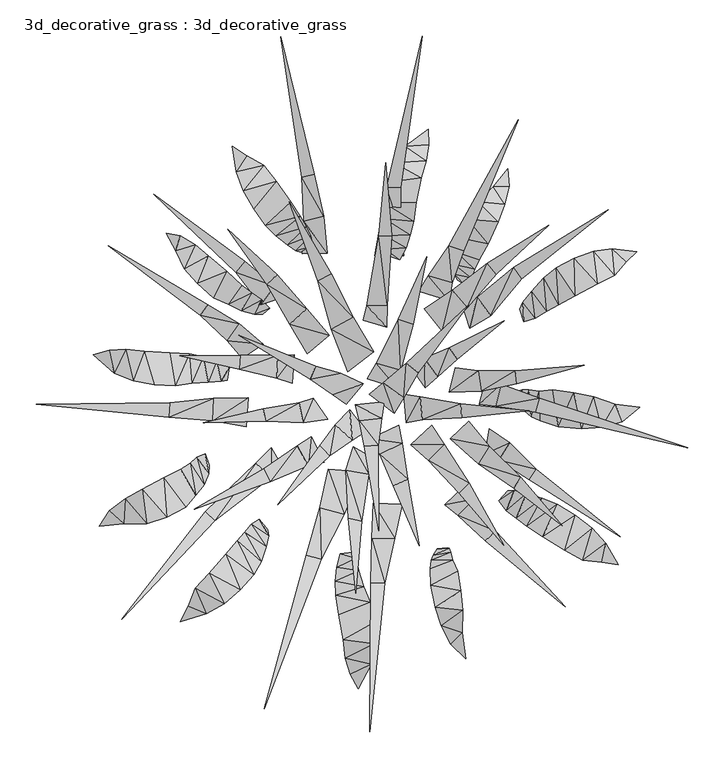
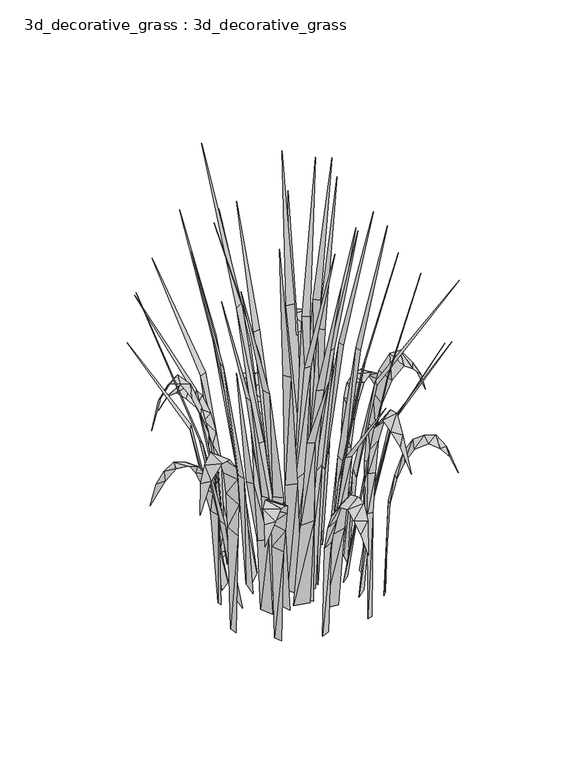
"""IFC4 building model written with IfcOpenShell, lengths in millimetres: geographic element geometry, 3d_decorative_grass : 3d_decorative_grass."""

from ifc_helpers import new_model, si_unit, origin, place, context, project, spatial, triangles, source, transform, mapped, element, save


def geographic_element_3d_decorative_grass_3d_decorative_grass_8f330360(model_context):
    return source(origin(), model_context, "Body", "Tessellation", [
        triangles([(-171.8724073, 311.9562073, 391.3716006), (-166.0988751, 276.5533168, 453.5561709), (-151.7953394, 298.5664655, 439.742685), (-128.3188643, 285.5556824, 466.8916735), (-156.4602484, 250.4763525, 477.3593241), (-111.1387237, 263.2205777, 477.6461188), (-142.1708282, 225.3435969, 469.7117344), (-90.6809344, 235.1924178, 455.7070599), (-126.3458462, 202.5815594, 451.5964704), (-77.4480071, 215.0340325, 409.582447), (-111.6874797, 188.186137, 413.9798313), (-69.56373, 200.5892686, 356.8378859), (-95.3949246, 175.5918263, 345.0797066), (-63.2815734, 187.6873845, 278.4260653), (-83.754574, 166.9488888, 269.4640394), (-60.5010189, 173.2261597, -8.0649992), (-76.9097076, 164.9533591, -7.7065177), (20.5632116, -405.1809675, 421.0538553), (-8.3180727, -419.4057225, 395.7689611), (2.4823459, -439.2812999, 341.9967585), (-14.9697333, -397.054651, 427.2197277), (25.064219, -377.1169421, 456.3523242), (-18.069774, -371.4353091, 447.0079213), (24.4312895, -347.78853, 458.4076072), (-23.9664912, -336.6901665, 435.3453244), (19.064059, -319.2157921, 448.6091284), (-28.7148531, -310.1785118, 395.7689611), (10.4994909, -298.0192405, 415.1030789), (-29.0546377, -290.3606997, 347.1349895), (3.7303885, -275.6028832, 348.3538433), (-27.389932, -270.9183567, 271.6149166), (-1.0635001, -258.3330227, 273.19224), (-22.5390298, -252.2350331, -10.5982654), (-4.5835711, -250.5305256, -5.1732516), (-334.8987534, -2.1205367, 421.1494614), (-342.3824295, 29.1720818, 395.8645673), (-364.1653195, 23.073162, 342.0923647), (-319.0876972, 30.7084074, 427.2197277), (-308.5660877, -12.7486505, 456.4479304), (-293.410695, 28.0594183, 447.1035037), (-279.799096, -18.688931, 458.5032133), (-258.2499606, 26.0219975, 435.3453244), (-250.8012181, -19.8203742, 448.7047108), (-231.3361475, 24.7838834, 395.7689611), (-228.1990878, -16.155095, 415.1030789), (-211.9286659, 20.6834434, 347.1349895), (-204.8547601, -14.5848243, 348.4255419), (-193.3358459, 14.7148237, 271.6149166), (-186.9266206, -13.7181356, 273.19224), (-176.2158895, 5.845016, -10.5982654), (-178.5913831, -12.0269042, -5.1732516), (354.7297035, 170.0436557, 401.0984044), (373.4842872, 151.8442448, 391.180412), (388.1662981, 165.5519707, 335.830886), (358.0370031, 133.4169836, 427.3153339), (328.6504361, 166.7380108, 429.9442062), (334.0398779, 121.3246576, 445.9085574), (301.9197568, 156.5518156, 429.8486001), (303.1975937, 104.7656596, 434.5088478), (276.9218192, 143.8473005, 420.1217962), (280.3195646, 92.1286847, 396.4142492), (259.6762928, 129.549981, 390.248353), (263.6284518, 83.2712118, 349.5487658), (243.0617036, 111.1793037, 330.692655), (247.9813983, 73.8723412, 277.111641), (230.795395, 96.1761232, 262.4617022), (231.8207559, 69.1732318, -5.1732516), (226.3209066, 86.2511407, -10.3114826), (-243.9496141, -346.6917698, 398.1110387), (-207.6581961, -335.7139363, 456.0655295), (-232.7015071, -325.4138401, 448.1311451), (-223.280911, -300.3354256, 477.3593241), (-182.7472451, -321.6855203, 477.6461188), (-203.9504946, -279.1775788, 487.5402037), (-160.8006976, -302.3685793, 468.3016921), (-180.8645098, -252.8553444, 464.3823148), (-141.9197425, -281.7641081, 449.0632042), (-165.1118291, -234.5285136, 416.9671732), (-131.8110691, -263.3957249, 411.3509589), (-154.2387882, -222.4630578, 362.8125935), (-124.9736369, -242.9340968, 342.6420228), (-145.5780989, -211.5932698, 282.7995421), (-121.3958411, -227.6431943, 266.9307614), (-134.0818149, -204.3345387, -6.1052987), (-122.7341255, -219.0391054, -9.8574068), (339.8645978, -263.9135201, 418.9268737), (362.5775496, -267.9632086, 365.4175583), (345.114952, -237.6756768, 433.8635835), (313.5110152, -261.2998934, 451.0229047), (326.4931194, -217.2101545, 462.5181967), (288.8299069, -247.2205242, 466.7243924), (302.8670975, -199.1139529, 459.3396662), (257.8653353, -228.6680727, 450.1864518), (278.4487355, -183.6897891, 445.5261803), (235.9807276, -214.3129422, 407.0730883), (257.7806703, -175.4736755, 410.7056946), (221.2269801, -203.1956025, 356.001433), (235.2742128, -169.2257418, 343.8608766), (207.7228102, -192.5609281, 278.2348767), (218.5536079, -164.7425314, 268.9860562), (197.4356193, -179.2329416, -7.4197349), (209.6563636, -164.9344606, -8.1605935), (68.0994915, 311.9529382, 407.6227465), (100.1609239, 314.1379021, 389.3163177), (99.7048011, 335.1230263, 334.9944332), (96.9058725, 292.0325367, 421.2450438), (52.6379592, 288.7194731, 440.8659326), (89.8047192, 268.086564, 441.0332136), (42.6043398, 261.9836762, 442.9212155), (83.1200737, 234.4232176, 431.0435463), (37.64459, 234.1244419, 434.604454), (79.5015968, 208.1281972, 393.8092843), (39.0744868, 211.3575402, 403.9901402), (74.6213435, 189.2882636, 346.7526124), (39.7907019, 187.6653051, 340.8735346), (69.1518146, 171.1098524, 273.2878343), (40.9230467, 169.1362409, 269.1772447), (60.4377974, 155.0521609, -7.969405), (43.4698247, 160.0031659, -6.6788644), (-249.8277362, 166.9379317, 543.1765006), (-243.563903, 187.9717333, 522.9103713), (-262.9229577, 191.176969, 433.7680011), (-223.2768653, 175.4720065, 570.9946847), (-238.1900963, 142.3019555, 598.1675332), (-204.7563137, 160.0612772, 603.9510523), (-220.3806033, 121.9994364, 604.6919228), (-179.4319994, 138.6859421, 579.765522), (-197.808092, 102.3175211, 566.3344132), (-158.9658569, 119.7012108, 512.5622106), (-177.6579757, 93.1826421, 513.3986635), (-145.1119211, 108.9145517, 437.4962135), (-159.0921251, 84.3013262, 418.5444966), (-130.9032834, 99.6175779, 317.5244335), (-141.4162245, 79.5526924, 303.1612775), (-119.5260178, 87.7819889, -6.200893), (-129.3641136, 78.9914955, -8.9253477), (368.2090918, -69.4985681, 544.2997482), (392.7094027, -49.8171196, 477.1681355), (358.4454765, -45.4730247, 567.6249419), (339.949274, -77.2910464, 575.7505386), (329.0703339, -35.1070428, 611.2401961), (312.3365058, -79.5529621, 595.180215), (300.7732263, -29.773503, 608.4201115), (279.297512, -76.573016, 561.1961822), (272.1480082, -25.0376784, 563.4426774), (254.9768589, -68.4723101, 492.104869), (253.3509972, -27.6003159, 506.2051259), (241.9151525, -62.5132603, 419.2853433), (239.0730271, -25.5955129, 413.0477722), (232.7543417, -54.5941958, 306.6983014), (229.6387166, -25.3085849, 302.0380418), (222.8766212, -43.5798482, -10.2158883), (225.5772546, -26.9143325, -6.0097045), (146.5476102, -362.1057144, 613.1042667), (130.573955, -377.5165936, 591.1652316), (151.378283, -397.580507, 513.0162864), (117.6397065, -352.1298329, 627.3718284), (147.3055015, -331.006238, 659.8741677), (109.117496, -326.3808851, 649.1196987), (144.3154293, -303.4731729, 655.5723896), (102.9806728, -295.859309, 610.2125309), (140.4962066, -276.9626848, 604.0466347), (102.7122178, -273.1803051, 531.2271328), (133.5742142, -261.6499905, 540.0935525), (103.640871, -261.704901, 448.5135223), (131.0251675, -250.4524417, 435.3453244), (106.8244994, -254.4017976, 321.085353), (128.3908491, -244.7286104, 310.9044852), (112.2954437, -245.214639, -8.9970464), (125.7057145, -243.7176901, -7.0373459), (-321.8649957, -211.0533838, 544.1085834), (-342.2462231, -192.711322, 531.9680033), (-356.1159946, -214.2546268, 453.3649823), (-320.2092489, -176.026483, 570.5166777), (-290.0903921, -210.6301592, 585.4534112), (-296.4856141, -163.2021179, 594.4154608), (-262.7168285, -201.7423031, 584.0673001), (-266.6350664, -146.9760465, 564.5419938), (-236.2424579, -187.9635872, 542.053253), (-242.8975313, -135.6347507, 496.7651167), (-222.0926993, -171.2708409, 490.2407746), (-230.2093048, -127.3781952, 424.8059515), (-210.59491, -156.9665832, 400.7160036), (-220.8834169, -118.6106091, 312.577391), (-204.529183, -141.7203448, 293.9124688), (-209.0721892, -114.1125129, -5.9380058), (-203.5633932, -130.0466104, -10.5982654), (189.5425367, 255.7990335, 581.6295926), (212.0687401, 256.8093419, 561.1005998), (209.5118445, 280.5978466, 474.6587768), (205.8376035, 231.2198926, 604.9787175), (168.8757876, 234.7185999, 633.4421422), (196.2152714, 207.141077, 633.4421422), (154.2357953, 211.0826874, 634.9477669), (182.7840114, 177.15146, 601.8957694), (141.6971848, 184.93504, 589.6596069), (170.33293, 154.5859615, 527.7618076), (138.7915393, 164.9255109, 530.7491733), (163.8963105, 141.2246922, 447.581487), (135.6556753, 148.4171726, 429.5618054), (159.127763, 129.9607667, 321.7306173), (136.3768243, 134.9036894, 307.9171314), (151.0189724, 119.7872727, -7.2285464), (139.4786785, 126.8877564, -8.4473764)], [[1, 2, 3], [2, 4, 3], [2, 5, 4], [5, 6, 4], [5, 7, 6], [7, 8, 6], [7, 9, 8], [9, 10, 8], [9, 11, 10], [11, 12, 10], [13, 12, 11], [13, 14, 12], [15, 14, 13], [15, 16, 14], [15, 17, 16], [18, 19, 20], [21, 19, 18], [21, 18, 22], [23, 21, 22], [23, 22, 24], [25, 23, 24], [25, 24, 26], [27, 25, 26], [27, 26, 28], [29, 27, 28], [28, 30, 29], [30, 31, 29], [30, 32, 31], [32, 33, 31], [32, 34, 33], [35, 36, 37], [36, 35, 38], [35, 39, 38], [38, 39, 40], [39, 41, 40], [40, 41, 42], [41, 43, 42], [42, 43, 44], [43, 45, 44], [45, 46, 44], [45, 47, 46], [47, 48, 46], [47, 49, 48], [49, 50, 48], [49, 51, 50], [52, 53, 54], [52, 55, 53], [56, 55, 52], [56, 57, 55], [58, 57, 56], [58, 59, 57], [60, 59, 58], [60, 61, 59], [62, 61, 60], [62, 63, 61], [64, 63, 62], [65, 63, 64], [65, 64, 66], [67, 65, 66], [67, 66, 68], [69, 70, 71], [71, 70, 72], [72, 70, 73], [72, 73, 74], [74, 73, 75], [74, 75, 76], [76, 75, 77], [76, 77, 78], [78, 77, 79], [78, 79, 80], [79, 81, 80], [80, 81, 82], [81, 83, 82], [82, 83, 84], [83, 85, 84], [86, 87, 88], [89, 86, 88], [89, 88, 90], [91, 89, 90], [91, 90, 92], [93, 91, 92], [93, 92, 94], [95, 93, 94], [95, 94, 96], [95, 96, 97], [97, 96, 98], [97, 98, 99], [99, 98, 100], [99, 100, 101], [101, 100, 102], [103, 104, 105], [103, 106, 104], [107, 106, 103], [107, 108, 106], [109, 108, 107], [109, 110, 108], [109, 111, 110], [111, 112, 110], [111, 113, 112], [113, 114, 112], [113, 115, 114], [114, 115, 116], [115, 117, 116], [116, 117, 118], [117, 119, 118], [120, 121, 122], [120, 123, 121], [120, 124, 123], [124, 125, 123], [124, 126, 125], [126, 127, 125], [126, 128, 127], [128, 129, 127], [128, 130, 129], [130, 131, 129], [132, 131, 130], [132, 133, 131], [134, 133, 132], [134, 135, 133], [134, 136, 135], [137, 138, 139], [140, 137, 139], [141, 140, 139], [142, 140, 141], [143, 142, 141], [144, 142, 143], [145, 144, 143], [144, 145, 146], [146, 145, 147], [146, 147, 148], [148, 147, 149], [148, 149, 150], [150, 149, 151], [150, 151, 152], [152, 151, 153], [154, 155, 156], [157, 155, 154], [157, 154, 158], [159, 157, 158], [159, 158, 160], [161, 159, 160], [161, 160, 162], [161, 162, 163], [162, 164, 163], [164, 165, 163], [164, 166, 165], [165, 166, 167], [166, 168, 167], [167, 168, 169], [168, 170, 169], [171, 172, 173], [172, 171, 174], [174, 171, 175], [174, 175, 176], [176, 175, 177], [176, 177, 178], [178, 177, 179], [178, 179, 180], [180, 179, 181], [181, 182, 180], [181, 183, 182], [183, 184, 182], [183, 185, 184], [185, 186, 184], [185, 187, 186], [188, 189, 190], [188, 191, 189], [192, 191, 188], [192, 193, 191], [194, 193, 192], [194, 195, 193], [196, 195, 194], [195, 196, 197], [196, 198, 197], [198, 199, 197], [198, 200, 199], [199, 200, 201], [200, 202, 201], [201, 202, 203], [202, 204, 203]], closed=False),
        triangles([(51.2150766, -158.0518165, 779.2640916), (86.9775362, -241.1533984, 1185.9815334), (71.1115559, -149.1424701, 776.7637791), (145.7518068, -64.2542717, 708.4218895), (239.6180735, -54.6367174, 1078.4680959), (144.66457, -44.9141772, 705.921577), (78.6565036, 65.1634247, 779.2640916), (97.4695522, 158.5895528, 1185.9815334), (58.2754805, 71.9140508, 776.7637791), (-50.6418276, -103.212574, 708.4218895), (-108.7919429, -184.4294786, 1163.4787209), (-36.5564903, -116.6104788, 705.921577), (-56.4217276, 7.2295195, 708.4218895), (-162.8676831, 50.2927519, 1120.9734084), (-63.7907999, -11.0686949, 705.921577), (-34.3885194, 135.6084548, 779.2640916), (-92.5124148, 235.2247537, 1228.4868459), (-53.4942186, 125.8925752, 776.7637791), (140.0015102, 16.794105, 708.4218895), (204.9072737, 70.3081738, 1120.9734084), (128.6568107, 32.7209307, 705.921577), (142.488458, -168.3770496, 708.4218895), (204.074785, -240.8705274, 1078.4680959), (156.6771428, -155.0982456, 705.921577), (-11.3725314, -203.2819102, 708.4218895), (-0.5732211, -306.9043912, 1078.4680959), (7.7558461, -207.4642323, 705.921577), (-128.5705376, -51.8042567, 637.5796875), (-211.671168, -71.2725445, 970.9546584), (-125.7057769, -69.0851723, 635.079375), (85.9814353, -2.0025034, 779.2640916), (154.9532747, 91.2484362, 1185.9815334), (69.1790898, 11.2624505, 776.7637791), (11.1757756, -103.6624924, 708.4218895), (31.2684831, -220.6356184, 1120.9734084), (30.6803274, -102.0976369, 705.921577), (-109.3292974, 133.6318481, 708.4218895), (-178.3546346, 196.9333731, 1078.4680959), (-124.1521816, 120.8385394, 705.921577), (49.0350521, 187.8216669, 637.5796875), (40.608082, 289.024548, 970.9546584), (30.9869862, 188.1594097, 635.079375), (222.417827, -16.9265675, 637.5796875), (315.478512, 8.1943785, 970.9546584), (220.1951424, 0.6675095, 635.079375), (217.7975338, -161.4519221, 637.5796875), (285.0147921, -213.7130809, 970.9546584), (227.6876503, -146.6930023, 635.079375), (-160.7473944, 22.3161379, 708.4218895), (-244.7786809, 21.8669066, 1078.4680959), (-162.3771658, 2.8430925, 705.921577), (193.8785901, 134.4754389, 708.4218895), (266.7561188, 202.6076001, 1078.4680959), (181.5707767, 149.9325225, 705.921577), (-128.1134297, -135.0368865, 708.4218895), (-224.3548912, -191.1173563, 1078.4680959), (-119.1804535, -152.5373957, 705.921577), (148.8003531, 167.2497346, 597.9616552), (224.0880574, 348.267517, 902.9997366), (128.135999, 174.1945607, 596.0864208), (-154.7086461, 152.6531442, 544.8300145), (-280.4993569, 245.14162, 822.3646584), (-167.0248866, 137.7021877, 542.9547802), (-69.4469115, -254.1947976, 597.9616552), (-127.5161203, -467.1257578, 934.8787209), (-48.8167755, -260.010601, 596.0864208), (61.8688415, 255.2682969, 544.8300145), (91.0119452, 464.2549974, 822.3646584), (42.436228, 255.1311766, 542.9547802), (229.2133073, 128.407333, 544.8300145), (348.8336962, 223.5483284, 822.3646584), (217.9914355, 144.4527769, 542.9547802), (239.5854964, -150.1888468, 491.6983739), (365.4410701, -229.0629318, 741.7295803), (249.1989593, -135.5458191, 489.8231395), (19.8986143, -292.3264291, 544.8300145), (18.4561657, -499.0000299, 822.3646584), (39.4681014, -292.9761864, 542.9547802), (-208.8841941, -194.0844847, 491.6983739), (-324.8932018, -342.8981062, 956.2647993), (-195.8491244, -206.5718196, 489.8231395), (-205.6654706, 92.274195, 491.6983739), (-343.3228587, 174.2113274, 741.7295803), (-215.9631753, 77.8364291, 489.8231395), (-58.1893247, 273.0848665, 491.6983739), (-104.5456054, 463.3773244, 741.7295803), (-75.4665045, 268.9449313, 489.8231395), (178.4179467, -234.3295033, 544.8300145), (289.2930572, -325.8368953, 822.3646584), (192.8211601, -221.1233283, 542.9547802), (-258.3535259, -43.5039346, 544.8300145), (-443.3849658, -45.6533052, 1063.2090564), (-259.7901704, -63.2102758, 542.9547802), (248.8063735, -56.2686626, 544.8300145), (458.6934433, -105.4953505, 822.3646584), (254.1090222, -37.3491554, 542.9547802)], [[1, 2, 3], [4, 5, 6], [7, 8, 9], [10, 11, 12], [13, 14, 15], [16, 17, 18], [19, 20, 21], [22, 23, 24], [25, 26, 27], [28, 29, 30], [31, 32, 33], [34, 35, 36], [37, 38, 39], [40, 41, 42], [43, 44, 45], [46, 47, 48], [49, 50, 51], [52, 53, 54], [55, 56, 57], [58, 59, 60], [61, 62, 63], [64, 65, 66], [67, 68, 69], [70, 71, 72], [73, 74, 75], [76, 77, 78], [79, 80, 81], [82, 83, 84], [85, 86, 87], [88, 89, 90], [91, 92, 93], [94, 95, 96]], closed=False),
        triangles([(19.2647384, -93.3587215, 5.8340627), (32.472653, -114.7353165, 381.7143605), (63.7777961, -99.0693705, 391.7156105), (58.9089929, -74.4203341, 0.0), (51.2150766, -158.0518165, 779.2640916), (71.1115559, -149.1424701, 776.7637791), (68.8454176, -71.163646, 5.000625), (91.4116453, -66.9132889, 346.7100073), (88.6886637, -35.2565528, 355.8778052), (66.0446214, -31.199305, 0.0), (145.7518068, -64.2542717, 708.4218895), (144.66457, -44.9141772, 705.921577), (56.6960879, -23.4392568, 5.8340627), (61.5756223, 1.592879, 381.7143605), (27.8055226, 11.3509962, 391.7156105), (14.8143471, -10.0867087, 0.0), (78.6565036, 65.1634247, 779.2640916), (58.2754805, 71.9140508, 776.7637791), (-9.0930719, -53.142329, 5.000625), (-29.1077004, -74.0315257, 346.7100073), (-5.5172488, -95.5105166, 355.8778052), (13.7765375, -82.9210482, 0.0), (-50.6418276, -103.212574, 708.4218895), (-36.5564903, -116.6104788, 705.921577), (9.7949367, -16.9063212, 5.000625), (-21.5319332, -2.3798937, 346.7100073), (-32.6914001, -32.4619947, 355.8778052), (-13.9707033, -45.5861211, 0.0), (-56.4217276, 7.2295195, 708.4218895), (-63.7907999, -11.0686949, 705.921577), (23.8131907, 27.6845511, 5.8340627), (-3.9961115, 74.9243965, 381.7143605), (-34.8315126, 58.2953365, 391.7156105), (-12.0888804, -0.5560616, 0.0), (-34.3885194, 135.6084548, 779.2640916), (-53.4942186, 125.8925752, 776.7637791), (95.6815617, -22.705516, 5.000625), (112.7674651, -7.218829, 346.7100073), (93.851756, 18.5272238, 355.8778052), (72.5224207, 10.1112493, 0.0), (140.0015102, 16.794105, 708.4218895), (128.6568107, 32.7209307, 705.921577), (75.256398, -101.4190324, 5.000625), (99.4889255, -122.584862, 346.7100073), (122.0718579, -100.4430197, 355.8778052), (104.4403009, -74.0706442, 0.0), (142.488458, -168.3770496, 708.4218895), (156.6771428, -155.0982456, 705.921577), (-4.4841969, -104.1470361, 5.000625), (-14.5475989, -136.4764031, 346.7100073), (17.0224945, -142.5386451, 355.8778052), (26.8111666, -121.8680905, 0.0), (-11.3725314, -203.2819102, 708.4218895), (7.7558461, -207.4642323, 705.921577), (-59.4153686, -37.1505874, 4.1671876), (-79.1237607, -43.1863449, 311.7056323), (-73.8088452, -71.1944654, 320.04), (-39.7325093, -66.0991435, 0.0), (-128.5705376, -51.8042567, 637.5796875), (-125.7057769, -69.0851723, 635.079375), (52.5206909, -58.0631494, 5.8340627), (65.3552857, -36.3044065, 381.7143605), (37.2860554, -15.4202319, 391.7156105), (17.6397246, -31.3609078, 0.0), (85.9814353, -2.0025034, 779.2640916), (69.1790898, 11.2624505, 776.7637791), (-1.1921962, -45.7121468, 5.000625), (3.8568175, -68.2862512, 346.7100073), (35.3648495, -64.4435748, 355.8778052), (38.6234407, -41.7916559, 0.0), (11.1757756, -103.6624924, 708.4218895), (30.6803274, -102.0976369, 705.921577), (-37.7838674, 50.4968567, 5.000625), (-68.7336116, 87.0646336, 346.7100073), (-92.1073241, 65.7293247, 355.8778052), (-67.9151312, 24.2760398, 0.0), (-109.3292974, 133.6318481, 708.4218895), (-124.1521816, 120.8385394, 705.921577), (42.0354935, 61.2114274, 4.1671876), (43.1334614, 91.552505, 311.7056323), (14.3739439, 91.0374063, 320.04), (9.3850885, 71.1182487, 0.0), (49.0350521, 187.8216669, 637.5796875), (30.9869862, 188.1594097, 635.079375), (128.8489684, -28.7835112, 4.1671876), (172.9552969, -27.1417927, 311.7056323), (168.7600762, 1.0150319, 320.04), (137.3308103, 5.1589225, 0.0), (222.417827, -16.9265675, 637.5796875), (220.1951424, 0.6675095, 635.079375), (130.1293143, -93.3338756, 4.1671876), (169.0892553, -127.5844486, 311.7056323), (184.34345, -103.4533654, 320.04), (155.6094654, -68.9841504, 0.0), (217.7975338, -161.4519221, 637.5796875), (227.6876503, -146.6930023, 635.079375), (-85.814493, 23.4940879, 5.000625), (-108.6702522, 22.2817769, 346.7100073), (-110.261592, -9.4921568, 355.8778052), (-88.6042936, -16.4151168, 0.0), (-160.7473944, 22.3161379, 708.4218895), (-162.3771658, 2.8430925, 705.921577), (118.9803141, 55.8199133, 5.000625), (153.6454929, 88.2261434, 346.7100073), (133.1167172, 112.390636, 355.8778052), (93.8870685, 86.8985378, 0.0), (193.8785901, 134.4754389, 708.4218895), (181.5707767, 149.9325225, 705.921577), (-62.6522329, -89.9948798, 5.000625), (-81.7894386, -102.9053862, 346.7100073), (-66.5696048, -130.8514453, 355.8778052), (-44.4731192, -125.6379743, 0.0), (-128.1134297, -135.0368865, 708.4218895), (-119.1804535, -152.5373957, 705.921577), (128.4107622, 98.037852, 17.8891402), (133.2001498, 122.7050308, 299.7993677), (99.5692605, 132.4208633, 307.3003052), (86.4320159, 111.0037484, 13.5135933), (148.8003531, 167.2497346, 597.9616552), (128.135999, 174.1945607, 596.0864208), (-93.5020788, 105.5777949, 17.264062), (-112.9690849, 117.7571283, 273.5460865), (-132.4355683, 92.6449922, 280.4219459), (-154.7086461, 152.6531442, 544.8300145), (-167.0248866, 137.7021877, 542.9547802), (-39.0337837, -135.4090629, 17.8891402), (-50.6310174, -188.9857736, 299.7993677), (-16.6922401, -197.6752337, 307.3003052), (6.5029168, -139.0007225, 13.5135933), (-69.4469115, -254.1947976, 597.9616552), (-48.8167755, -260.010601, 596.0864208), (65.8730112, 160.4659104, 17.264062), (62.4171097, 192.4544191, 273.5460865), (30.8049112, 191.496014, 280.4219459), (25.8787712, 160.157432, 13.5135933), (61.8688415, 255.2682969, 544.8300145), (42.436228, 255.1311766, 542.9547802), (156.9235527, 60.2210995, 17.264062), (186.2432974, 77.1566205, 273.5460865), (167.1524541, 103.0209005, 280.4219459), (145.9409058, 94.4675155, 13.5135933), (229.2133073, 128.407333, 544.8300145), (217.9914355, 144.4527769, 542.9547802), (178.8238455, -114.0614433, 16.6389839), (197.401285, -122.9906113, 247.2928052), (212.4885901, -98.8022672, 253.5435865), (183.9894271, -79.4384728, 13.5135933), (239.5854964, -150.1888468, 491.6983739), (249.1989593, -135.5458191, 489.8231395), (23.6946624, -182.7099862, 17.264062), (21.6425952, -230.5731083, 273.5460865), (53.2890264, -230.7437308, 280.4219459), (63.6205043, -183.8726563, 13.5135933), (19.8986143, -292.3264291, 544.8300145), (39.4681014, -292.9761864, 542.9547802), (-117.8805627, -105.7811233, 16.6389839), (-139.2629898, -127.3352089, 247.2928052), (-117.7773539, -146.459614, 253.5435865), (-100.6029176, -135.2035115, 13.5135933), (-208.8841941, -194.0844847, 491.6983739), (-195.8491244, -206.5718196, 489.8231395), (-128.8579547, 37.5354964, 16.6389839), (-162.3864744, 66.2391907, 247.2928052), (-178.3975257, 42.7008652, 253.5435865), (-158.1092593, 18.3419471, 13.5135933), (-205.6654706, 92.274195, 491.6983739), (-215.9631753, 77.8364291, 489.8231395), (-39.9526029, 163.5713567, 16.6389839), (-45.3588745, 215.1635175, 247.2928052), (-72.9339368, 207.7732701, 253.5435865), (-75.1913236, 162.9550421, 13.5135933), (-58.1893247, 273.0848665, 491.6983739), (-75.4665045, 268.9449313, 489.8231395), (122.5484692, -184.3802408, 17.264062), (140.1680384, -198.9886738, 273.5460865), (162.8847284, -176.7161029, 280.4219459), (151.6628033, -156.941521, 13.5135933), (178.4179467, -234.3295033, 544.8300145), (192.8211601, -221.1233283, 542.9547802), (-149.9688744, -36.4888911, 17.264062), (-197.4214171, -36.797471, 273.5460865), (-198.7210453, -68.4781303, 280.4219459), (-152.6026735, -76.3463253, 13.5135933), (-258.3535259, -43.5039346, 544.8300145), (-259.7901704, -63.2102758, 542.9547802), (170.1519941, -44.9796845, 17.264062), (192.9716876, -48.4690254, 273.5460865), (200.7374645, -17.6093749, 280.4219459), (180.9625619, -6.4564212, 13.5135933), (248.8063735, -56.2686626, 544.8300145), (254.1090222, -37.3491554, 542.9547802)], [[1, 2, 3], [3, 4, 1], [2, 5, 6], [6, 3, 2], [7, 8, 9], [9, 10, 7], [8, 11, 12], [12, 9, 8], [13, 14, 15], [15, 16, 13], [14, 17, 18], [18, 15, 14], [19, 20, 21], [21, 22, 19], [20, 23, 24], [24, 21, 20], [25, 26, 27], [27, 28, 25], [26, 29, 30], [30, 27, 26], [31, 32, 33], [33, 34, 31], [32, 35, 36], [36, 33, 32], [37, 38, 39], [39, 40, 37], [38, 41, 42], [42, 39, 38], [43, 44, 45], [45, 46, 43], [44, 47, 48], [48, 45, 44], [49, 50, 51], [51, 52, 49], [50, 53, 54], [54, 51, 50], [55, 56, 57], [57, 58, 55], [56, 59, 60], [60, 57, 56], [61, 62, 63], [63, 64, 61], [62, 65, 66], [66, 63, 62], [67, 68, 69], [69, 70, 67], [68, 71, 72], [72, 69, 68], [73, 74, 75], [75, 76, 73], [74, 77, 78], [78, 75, 74], [79, 80, 81], [81, 82, 79], [80, 83, 84], [84, 81, 80], [85, 86, 87], [87, 88, 85], [86, 89, 90], [90, 87, 86], [91, 92, 93], [93, 94, 91], [92, 95, 96], [96, 93, 92], [97, 98, 99], [99, 100, 97], [98, 101, 102], [102, 99, 98], [103, 104, 105], [105, 106, 103], [104, 107, 108], [108, 105, 104], [109, 110, 111], [111, 112, 109], [110, 113, 114], [114, 111, 110], [115, 116, 117], [117, 118, 115], [116, 119, 120], [120, 117, 116], [121, 122, 123], [122, 124, 125], [125, 123, 122], [126, 127, 128], [128, 129, 126], [127, 130, 131], [131, 128, 127], [132, 133, 134], [134, 135, 132], [133, 136, 137], [137, 134, 133], [138, 139, 140], [140, 141, 138], [139, 142, 143], [143, 140, 139], [144, 145, 146], [146, 147, 144], [145, 148, 149], [149, 146, 145], [150, 151, 152], [152, 153, 150], [151, 154, 155], [155, 152, 151], [156, 157, 158], [158, 159, 156], [157, 160, 161], [161, 158, 157], [162, 163, 164], [164, 165, 162], [163, 166, 167], [167, 164, 163], [168, 169, 170], [170, 171, 168], [169, 172, 173], [173, 170, 169], [174, 175, 176], [176, 177, 174], [175, 178, 179], [179, 176, 175], [180, 181, 182], [182, 183, 180], [181, 184, 185], [185, 182, 181], [186, 187, 188], [188, 189, 186], [187, 190, 191], [191, 188, 187]], closed=False),
    ])


if __name__ == "__main__":
    model = new_model("IFC4")
    model_context = context("Model", 3, world=origin())
    ifc_project = project(units=[si_unit("LENGTHUNIT", "METRE", prefix="MILLI")], contexts=[model_context])
    site = spatial("IfcSite", under=ifc_project)
    building = spatial("IfcBuilding", under=site)
    placement = place(None, origin())
    geographic_element_3d_decorative_grass_3d_decorative_grass_shape = geographic_element_3d_decorative_grass_3d_decorative_grass_8f330360(model_context)
    element("IfcGeographicElement", 1, ObjectType="3d_decorative_grass : 3d_decorative_grass", at=placement, inside=building, context=model_context, shape_type="MappedRepresentation", body=[
        mapped(geographic_element_3d_decorative_grass_3d_decorative_grass_shape, transform((0.0, 0.0, 0.0), x_axis=(1.0, 0.0, 0.0), y_axis=(0.0, 1.0, 0.0), z_axis=(0.0, 0.0, 1.0))),
    ])
    save(model, "model.ifc")
